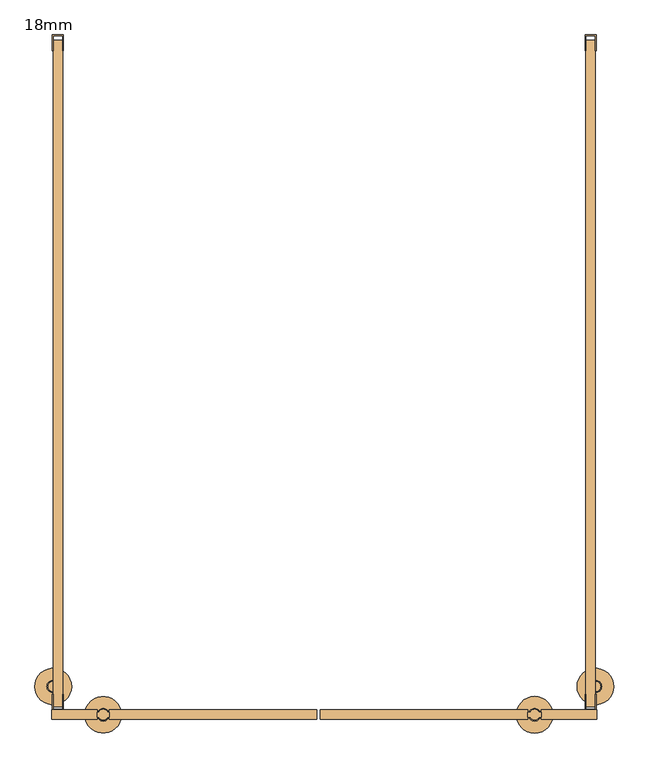
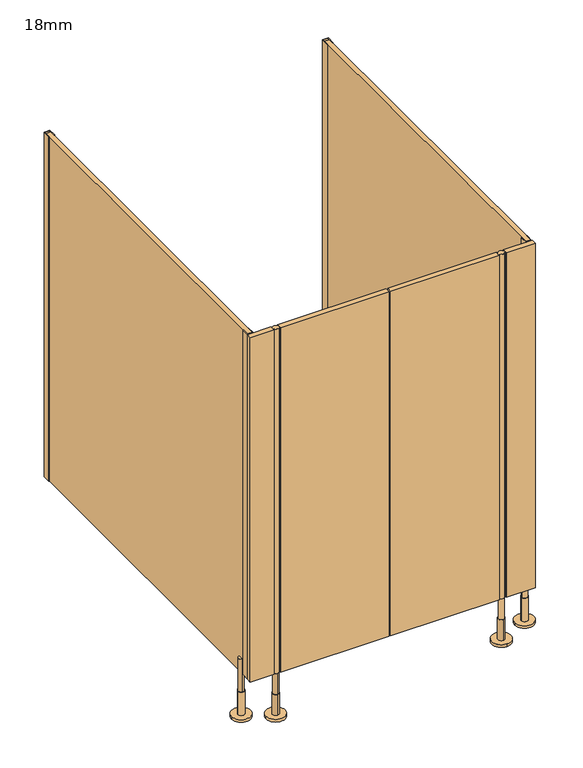
"""IFC4 building model written with IfcOpenShell, lengths in millimetres: door geometry, 18mm."""

from ifc_helpers import new_model, si_unit, point, frame, frame_2d, origin, place, context, project, spatial, polyline, circle_curve, trimmed, segment, composite_curve, outline, extrude, source, transform, mapped, element, save
from ifc_brep_helpers import plane_surface, cylinder_surface, advanced_brep


def door_18mm_1dfe7e59(model_context):
    return source(origin(), model_context, "Body", "SolidModel", [
        extrude(outline(composite_curve([segment(trimmed(circle_curve(frame_2d((-422.5, -1299.0)), 10.0), [point((-426.8588989, -1290.0))], [point((-418.1411011, -1290.0))], False, "CARTESIAN"), True, "CONTINUOUS"), segment(trimmed(circle_curve(frame_2d((-422.5, -1299.0)), 10.0), [point((-418.1411011, -1290.0))], [point((-413.8391323, -1294.0010631))], False, "CARTESIAN"), True, "CONTINUOUS"), segment(polyline([(-413.8391323, -1294.0010631), (-411.0, -1294.0010631), (-411.0, -1303.9989369), (-413.8391323, -1303.9989369)]), True, "CONTINUOUS"), segment(trimmed(circle_curve(frame_2d((-422.5, -1299.0)), 10.0), [point((-413.8391323, -1303.9989369))], [point((-431.1608677, -1303.9989369))], False, "CARTESIAN"), True, "CONTINUOUS"), segment(polyline([(-431.1608677, -1303.9989369), (-434.0, -1303.9989369), (-434.0, -1294.0010631), (-431.1608677, -1294.0010631)]), True, "CONTINUOUS"), segment(trimmed(circle_curve(frame_2d((-422.5, -1299.0)), 10.0), [point((-431.1608677, -1294.0010631))], [point((-426.8588989, -1290.0))], False, "CARTESIAN"), True, "CONTINUOUS")], self_intersect=False)), frame((0.0, 0.0, 170.0), z_axis=(0.0, 0.0, 1.0), x_axis=(1.0, 0.0, 0.0)), (0.0, 0.0, 1.0), 1330.0),
        extrude(outline(composite_curve([segment(trimmed(circle_curve(frame_2d((402.0, -1299.0)), 10.0), [point((410.6608677, -1303.9989369))], [point((393.3391323, -1303.9989369))], False, "CARTESIAN"), True, "CONTINUOUS"), segment(polyline([(393.3391323, -1303.9989369), (389.0, -1303.9989369), (389.0, -1294.0010631), (393.3391323, -1294.0010631)]), True, "CONTINUOUS"), segment(trimmed(circle_curve(frame_2d((402.0, -1299.0)), 10.0), [point((393.3391323, -1294.0010631))], [point((410.6608677, -1294.0010631))], False, "CARTESIAN"), True, "CONTINUOUS"), segment(polyline([(410.6608677, -1294.0010631), (415.0, -1294.0010631), (415.0, -1303.9989369), (410.6608677, -1303.9989369)]), True, "CONTINUOUS")], self_intersect=False)), frame((0.0, 0.0, 170.0), z_axis=(0.0, 0.0, 1.0), x_axis=(1.0, 0.0, 0.0)), (0.0, 0.0, 1.0), 1330.0),
        extrude(outline(polyline([(-7.9997797, -1290.0), (389.0, -1290.0), (389.0, -1308.0), (-7.9997797, -1308.0), (-7.9997797, -1290.0)])), frame((0.0, 0.0, 170.0), z_axis=(0.0, 0.0, 1.0), x_axis=(1.0, 0.0, 0.0)), (0.0, 0.0, 1.0), 1330.0),
        extrude(outline(polyline([(-14.0002203, -1308.0), (-411.0, -1308.0), (-411.0, -1290.0), (-14.0002203, -1290.0), (-14.0002203, -1308.0)])), frame((0.0, 0.0, 170.0), z_axis=(0.0, 0.0, 1.0), x_axis=(1.0, 0.0, 0.0)), (0.0, 0.0, 1.0), 1330.0),
        advanced_brep(
        [(412.0, -1299.0, 170.0), (392.0, -1299.0, 170.0), (392.0, -1299.0, 90.0), (412.0, -1299.0, 90.0), (402.0, -1287.0, 90.0), (402.0, -1311.0, 90.0), (402.0, -1287.0, 10.0), (402.0, -1311.0, 10.0), (402.0, -1264.0, 10.0), (402.0, -1334.0, 10.0), (402.0, -1264.0, 0.0), (402.0, -1334.0, 0.0)],
        [
            (0, 1, circle_curve(frame((402.0, -1299.0, 170.0), z_axis=(0.0, 0.0, 1.0), x_axis=(-1.0, 0.0, 0.0)), 10.0)),
            (1, 0, circle_curve(frame((402.0, -1299.0, 170.0), z_axis=(0.0, 0.0, 1.0), x_axis=(-1.0, 0.0, 0.0)), 10.0)),
            (1, 2),
            (2, 3, circle_curve(frame((402.0, -1299.0, 90.0), z_axis=(0.0, 0.0, 1.0), x_axis=(-1.0, 0.0, 0.0)), 10.0)),
            (3, 0),
            (3, 2, circle_curve(frame((402.0, -1299.0, 90.0), z_axis=(0.0, 0.0, 1.0), x_axis=(-1.0, 0.0, 0.0)), 10.0)),
            (4, 5, circle_curve(frame((402.0, -1299.0, 90.0), z_axis=(0.0, 0.0, 1.0), x_axis=(0.0, -1.0, 0.0)), 12.0)),
            (5, 4, circle_curve(frame((402.0, -1299.0, 90.0), z_axis=(0.0, 0.0, 1.0), x_axis=(0.0, -1.0, 0.0)), 12.0)),
            (4, 6),
            (6, 7, circle_curve(frame((402.0, -1299.0, 10.0), z_axis=(0.0, 0.0, 1.0), x_axis=(0.0, -1.0, 0.0)), 12.0)),
            (7, 5),
            (7, 6, circle_curve(frame((402.0, -1299.0, 10.0), z_axis=(0.0, 0.0, 1.0), x_axis=(0.0, -1.0, 0.0)), 12.0)),
            (8, 9, circle_curve(frame((402.0, -1299.0, 10.0), z_axis=(0.0, 0.0, 1.0), x_axis=(0.0, -1.0, 0.0)), 35.0)),
            (9, 8, circle_curve(frame((402.0, -1299.0, 10.0), z_axis=(0.0, 0.0, 1.0), x_axis=(0.0, -1.0, 0.0)), 35.0)),
            (10, 11, circle_curve(frame((402.0, -1299.0, 0.0), z_axis=(0.0, 0.0, -1.0), x_axis=(0.0, -1.0, 0.0)), 35.0)),
            (11, 10, circle_curve(frame((402.0, -1299.0, 0.0), z_axis=(0.0, 0.0, -1.0), x_axis=(0.0, -1.0, 0.0)), 35.0)),
            (8, 10),
            (11, 9),
        ],
        [
            plane_surface(frame((402.0, -1290.0, 170.0), z_axis=(0.0, 0.0, 1.0), x_axis=(0.0, -1.0, 0.0))),
            cylinder_surface(frame((402.0, -1299.0, 90.0), z_axis=(0.0, 0.0, -1.0), x_axis=(-1.0, 0.0, 0.0)), 10.0),
            plane_surface(frame((402.0, -1290.0, 90.0), z_axis=(0.0, 0.0, 1.0), x_axis=(0.0, -1.0, 0.0))),
            cylinder_surface(frame((402.0, -1299.0, 90.0), z_axis=(0.0, 0.0, 1.0), x_axis=(0.0, -1.0, 0.0)), 12.0),
            plane_surface(frame((402.0, -1290.0, 10.0), z_axis=(0.0, 0.0, 1.0), x_axis=(0.0, -1.0, 0.0))),
            plane_surface(frame((402.0, -1290.0, 0.0), z_axis=(0.0, 0.0, -1.0), x_axis=(0.0, -1.0, 0.0))),
            cylinder_surface(frame((402.0, -1299.0, 10.0), z_axis=(0.0, 0.0, 1.0), x_axis=(0.0, -1.0, 0.0)), 35.0),
        ],
        [
            (0, [[1, 2]]),
            (1, [[-2, 3, 4, 5]]),
            (1, [[-1, -5, 6, -3]]),
            (2, [[7, 8], [-4, -6]]),
            (3, [[-7, 9, 10, 11]]),
            (3, [[-8, -11, 12, -9]]),
            (4, [[13, 14], [-10, -12]]),
            (5, [[15, 16]]),
            (6, [[-13, 17, -16, 18]]),
            (6, [[-14, -18, -15, -17]]),
        ],
    ),
        advanced_brep(
        [(-422.5, -1309.0, 170.0), (-422.5, -1289.0, 170.0), (-422.5, -1289.0, 90.0), (-422.5, -1309.0, 90.0), (-422.5, -1287.0, 90.0), (-422.5, -1311.0, 90.0), (-422.5, -1287.0, 10.0), (-422.5, -1311.0, 10.0), (-387.5, -1299.0, 0.0), (-457.5, -1299.0, 0.0), (-387.5, -1299.0, 10.0), (-457.5, -1299.0, 10.0)],
        [
            (0, 1, circle_curve(frame((-422.5, -1299.0, 170.0), z_axis=(0.0, 0.0, -1.0), x_axis=(0.0, -1.0, 0.0)), 10.0)),
            (1, 2),
            (2, 3, circle_curve(frame((-422.5, -1299.0, 90.0), z_axis=(0.0, 0.0, 1.0), x_axis=(0.0, -1.0, 0.0)), 10.0)),
            (3, 0),
            (1, 0, circle_curve(frame((-422.5, -1299.0, 170.0), z_axis=(0.0, 0.0, -1.0), x_axis=(0.0, -1.0, 0.0)), 10.0)),
            (3, 2, circle_curve(frame((-422.5, -1299.0, 90.0), z_axis=(0.0, 0.0, 1.0), x_axis=(0.0, -1.0, 0.0)), 10.0)),
            (4, 5, circle_curve(frame((-422.5, -1299.0, 90.0), z_axis=(0.0, 0.0, 1.0), x_axis=(0.0, -1.0, 0.0)), 12.0)),
            (5, 4, circle_curve(frame((-422.5, -1299.0, 90.0), z_axis=(0.0, 0.0, 1.0), x_axis=(0.0, -1.0, 0.0)), 12.0)),
            (4, 6),
            (6, 7, circle_curve(frame((-422.5, -1299.0, 10.0), z_axis=(0.0, 0.0, 1.0), x_axis=(0.0, -1.0, 0.0)), 12.0)),
            (7, 5),
            (7, 6, circle_curve(frame((-422.5, -1299.0, 10.0), z_axis=(0.0, 0.0, 1.0), x_axis=(0.0, -1.0, 0.0)), 12.0)),
            (8, 9, circle_curve(frame((-422.5, -1299.0, 0.0), z_axis=(0.0, 0.0, -1.0), x_axis=(-1.0, 0.0, 0.0)), 35.0)),
            (9, 8, circle_curve(frame((-422.5, -1299.0, 0.0), z_axis=(0.0, 0.0, -1.0), x_axis=(-1.0, 0.0, 0.0)), 35.0)),
            (10, 11, circle_curve(frame((-422.5, -1299.0, 10.0), z_axis=(0.0, 0.0, 1.0), x_axis=(-1.0, 0.0, 0.0)), 35.0)),
            (11, 10, circle_curve(frame((-422.5, -1299.0, 10.0), z_axis=(0.0, 0.0, 1.0), x_axis=(-1.0, 0.0, 0.0)), 35.0)),
            (8, 10),
            (11, 9),
        ],
        [
            cylinder_surface(frame((-422.5, -1299.0, 170.0), z_axis=(0.0, 0.0, 1.0), x_axis=(0.0, -1.0, 0.0)), 10.0),
            plane_surface(frame((-422.5, -1290.0, 90.0), z_axis=(0.0, 0.0, 1.0), x_axis=(0.0, -1.0, 0.0))),
            cylinder_surface(frame((-422.5, -1299.0, 90.0), z_axis=(0.0, 0.0, 1.0), x_axis=(0.0, -1.0, 0.0)), 12.0),
            plane_surface(frame((-422.5, -1290.0, 0.0), z_axis=(0.0, 0.0, -1.0), x_axis=(0.0, -1.0, 0.0))),
            plane_surface(frame((-422.5, -1290.0, 10.0), z_axis=(0.0, 0.0, 1.0), x_axis=(0.0, -1.0, 0.0))),
            cylinder_surface(frame((-422.5, -1299.0, 0.0), z_axis=(0.0, 0.0, -1.0), x_axis=(-1.0, 0.0, 0.0)), 35.0),
            plane_surface(frame((-422.5, -1290.0, 170.0), z_axis=(0.0, 0.0, 1.0), x_axis=(0.0, -1.0, 0.0))),
        ],
        [
            (0, [[1, 2, 3, 4]]),
            (0, [[5, -4, 6, -2]]),
            (1, [[7, 8], [-3, -6]]),
            (2, [[-7, 9, 10, 11]]),
            (2, [[-8, -11, 12, -9]]),
            (3, [[13, 14]]),
            (4, [[15, 16], [-10, -12]]),
            (5, [[-13, 17, -16, 18]]),
            (5, [[-14, -18, -15, -17]]),
            (6, [[-1, -5]]),
        ],
    ),
        extrude(outline(polyline([(498.5, 0.0), (519.5, 0.0), (519.5, -30.0), (518.0, -30.0), (518.0, -1.5), (500.0, -1.5), (500.0, -30.0), (498.5, -30.0), (498.5, 0.0)])), frame((0.0, 0.0, 170.0), z_axis=(0.0, 0.0, 1.0), x_axis=(1.0, 0.0, 0.0)), (0.0, 0.0, 1.0), 1330.0),
        extrude(outline(polyline([(-519.5, 0.0), (-498.5, 0.0), (-498.5, -30.0), (-500.0, -30.0), (-500.0, -1.5), (-518.0, -1.5), (-518.0, -30.0), (-519.5, -30.0), (-519.5, 0.0)])), frame((0.0, 0.0, 170.0), z_axis=(0.0, 0.0, 1.0), x_axis=(1.0, 0.0, 0.0)), (0.0, 0.0, 1.0), 1330.0),
        extrude(outline(polyline([(415.0, -1290.0), (521.0, -1290.0), (521.0, -1308.0), (415.0, -1308.0), (415.0, -1290.0)])), frame((0.0, 0.0, 170.0), z_axis=(0.0, 0.0, 1.0), x_axis=(1.0, 0.0, 0.0)), (0.0, 0.0, 1.0), 1330.0),
        extrude(outline(polyline([(-434.0, -1290.0), (-434.0, -1308.0), (-521.0, -1308.0), (-521.0, -1290.0), (-434.0, -1290.0)])), frame((0.0, 0.0, 170.0), z_axis=(0.0, 0.0, 1.0), x_axis=(1.0, 0.0, 0.0)), (0.0, 0.0, 1.0), 1330.0),
        extrude(outline(polyline([(519.5, -1290.0), (498.5, -1290.0), (498.5, -1260.0), (500.0, -1260.0), (500.0, -1288.5), (518.0, -1288.5), (518.0, -1260.0), (519.5, -1260.0), (519.5, -1290.0)])), frame((0.0, 0.0, 170.0), z_axis=(0.0, 0.0, 1.0), x_axis=(1.0, 0.0, 0.0)), (0.0, 0.0, 1.0), 1330.0),
        extrude(outline(polyline([(-498.5, -1290.0), (-519.5, -1290.0), (-519.5, -1260.0), (-518.0, -1260.0), (-518.0, -1288.5), (-500.0, -1288.5), (-500.0, -1260.0), (-498.5, -1260.0), (-498.5, -1290.0)])), frame((0.0, 0.0, 170.0), z_axis=(0.0, 0.0, 1.0), x_axis=(1.0, 0.0, 0.0)), (0.0, 0.0, 1.0), 1330.0),
        advanced_brep(
        [(483.0, -1245.0, 0.0), (553.0, -1245.0, 0.0), (483.0, -1245.0, 10.0), (553.0, -1245.0, 10.0), (506.0, -1245.0, 10.0), (530.0, -1245.0, 10.0), (506.0, -1245.0, 100.0), (530.0, -1245.0, 100.0), (508.0, -1245.0, 100.0), (528.0, -1245.0, 100.0), (508.0, -1245.0, 225.5), (528.0, -1245.0, 225.5)],
        [
            (0, 1, circle_curve(frame((518.0, -1245.0, 0.0), z_axis=(0.0, 0.0, -1.0), x_axis=(1.0, 0.0, 0.0)), 35.0)),
            (1, 0, circle_curve(frame((518.0, -1245.0, 0.0), z_axis=(0.0, 0.0, -1.0), x_axis=(1.0, 0.0, 0.0)), 35.0)),
            (2, 3, circle_curve(frame((518.0, -1245.0, 10.0), z_axis=(0.0, 0.0, 1.0), x_axis=(1.0, 0.0, 0.0)), 35.0)),
            (3, 2, circle_curve(frame((518.0, -1245.0, 10.0), z_axis=(0.0, 0.0, 1.0), x_axis=(1.0, 0.0, 0.0)), 35.0)),
            (4, 5, circle_curve(frame((518.0, -1245.0, 10.0), z_axis=(0.0, 0.0, -1.0), x_axis=(1.0, 0.0, 0.0)), 12.0)),
            (5, 4, circle_curve(frame((518.0, -1245.0, 10.0), z_axis=(0.0, 0.0, -1.0), x_axis=(1.0, 0.0, 0.0)), 12.0)),
            (0, 2),
            (3, 1),
            (6, 7, circle_curve(frame((518.0, -1245.0, 100.0), z_axis=(0.0, 0.0, 1.0), x_axis=(1.0, 0.0, 0.0)), 12.0)),
            (7, 6, circle_curve(frame((518.0, -1245.0, 100.0), z_axis=(0.0, 0.0, 1.0), x_axis=(1.0, 0.0, 0.0)), 12.0)),
            (8, 9, circle_curve(frame((518.0, -1245.0, 100.0), z_axis=(0.0, 0.0, -1.0), x_axis=(1.0, 0.0, 0.0)), 10.0)),
            (9, 8, circle_curve(frame((518.0, -1245.0, 100.0), z_axis=(0.0, 0.0, -1.0), x_axis=(1.0, 0.0, 0.0)), 10.0)),
            (7, 5),
            (4, 6),
            (10, 11, circle_curve(frame((518.0, -1245.0, 225.5), z_axis=(0.0, 0.0, 1.0), x_axis=(1.0, 0.0, 0.0)), 10.0)),
            (11, 10, circle_curve(frame((518.0, -1245.0, 225.5), z_axis=(0.0, 0.0, 1.0), x_axis=(1.0, 0.0, 0.0)), 10.0)),
            (11, 9),
            (8, 10),
        ],
        [
            plane_surface(frame((509.0, -1299.0, 0.0), z_axis=(0.0, 0.0, -1.0), x_axis=(0.0, 1.0, 0.0))),
            plane_surface(frame((509.0, -1299.0, 10.0), z_axis=(0.0, 0.0, 1.0), x_axis=(0.0, 1.0, 0.0))),
            cylinder_surface(frame((518.0, -1245.0, 0.0), z_axis=(0.0, 0.0, -1.0), x_axis=(1.0, 0.0, 0.0)), 35.0),
            plane_surface(frame((509.0, -1299.0, 100.0), z_axis=(0.0, 0.0, 1.0), x_axis=(0.0, 1.0, 0.0))),
            cylinder_surface(frame((518.0, -1245.0, 10.0), z_axis=(0.0, 0.0, -1.0), x_axis=(1.0, 0.0, 0.0)), 12.0),
            plane_surface(frame((509.0, -1299.0, 225.5), z_axis=(0.0, 0.0, 1.0), x_axis=(0.0, 1.0, 0.0))),
            cylinder_surface(frame((518.0, -1245.0, 100.0), z_axis=(0.0, 0.0, -1.0), x_axis=(1.0, 0.0, 0.0)), 10.0),
        ],
        [
            (0, [[1, 2]]),
            (1, [[3, 4], [5, 6]]),
            (2, [[-1, 7, -4, 8]]),
            (2, [[-2, -8, -3, -7]]),
            (3, [[9, 10], [11, 12]]),
            (4, [[-10, 13, -5, 14]]),
            (4, [[-9, -14, -6, -13]]),
            (5, [[15, 16]]),
            (6, [[-16, 17, -11, 18]]),
            (6, [[-15, -18, -12, -17]]),
        ],
    ),
        advanced_brep(
        [(-553.0, -1245.0, 0.0), (-483.0, -1245.0, 0.0), (-553.0, -1245.0, 10.0), (-483.0, -1245.0, 10.0), (-530.0, -1245.0, 10.0), (-506.0, -1245.0, 10.0), (-530.0, -1245.0, 100.0), (-506.0, -1245.0, 100.0), (-518.0, -1235.0, 100.0), (-518.0, -1255.0, 100.0), (-518.0, -1255.0, 225.5), (-518.0, -1235.0, 225.5)],
        [
            (0, 1, circle_curve(frame((-518.0, -1245.0, 0.0), z_axis=(0.0, 0.0, -1.0), x_axis=(1.0, 0.0, 0.0)), 35.0)),
            (1, 0, circle_curve(frame((-518.0, -1245.0, 0.0), z_axis=(0.0, 0.0, -1.0), x_axis=(1.0, 0.0, 0.0)), 35.0)),
            (2, 3, circle_curve(frame((-518.0, -1245.0, 10.0), z_axis=(0.0, 0.0, 1.0), x_axis=(1.0, 0.0, 0.0)), 35.0)),
            (3, 2, circle_curve(frame((-518.0, -1245.0, 10.0), z_axis=(0.0, 0.0, 1.0), x_axis=(1.0, 0.0, 0.0)), 35.0)),
            (4, 5, circle_curve(frame((-518.0, -1245.0, 10.0), z_axis=(0.0, 0.0, -1.0), x_axis=(1.0, 0.0, 0.0)), 12.0)),
            (5, 4, circle_curve(frame((-518.0, -1245.0, 10.0), z_axis=(0.0, 0.0, -1.0), x_axis=(1.0, 0.0, 0.0)), 12.0)),
            (0, 2),
            (3, 1),
            (6, 7, circle_curve(frame((-518.0, -1245.0, 100.0), z_axis=(0.0, 0.0, 1.0), x_axis=(1.0, 0.0, 0.0)), 12.0)),
            (7, 6, circle_curve(frame((-518.0, -1245.0, 100.0), z_axis=(0.0, 0.0, 1.0), x_axis=(1.0, 0.0, 0.0)), 12.0)),
            (8, 9, circle_curve(frame((-518.0, -1245.0, 100.0), z_axis=(0.0, 0.0, -1.0), x_axis=(0.0, 1.0, 0.0)), 10.0)),
            (9, 8, circle_curve(frame((-518.0, -1245.0, 100.0), z_axis=(0.0, 0.0, -1.0), x_axis=(0.0, 1.0, 0.0)), 10.0)),
            (7, 5),
            (4, 6),
            (10, 11, circle_curve(frame((-518.0, -1245.0, 225.5), z_axis=(0.0, 0.0, 1.0), x_axis=(0.0, 1.0, 0.0)), 10.0)),
            (11, 10, circle_curve(frame((-518.0, -1245.0, 225.5), z_axis=(0.0, 0.0, 1.0), x_axis=(0.0, 1.0, 0.0)), 10.0)),
            (10, 9),
            (8, 11),
        ],
        [
            plane_surface(frame((-509.0, -1299.0, 0.0), z_axis=(0.0, 0.0, -1.0), x_axis=(0.0, 1.0, 0.0))),
            plane_surface(frame((-509.0, -1299.0, 10.0), z_axis=(0.0, 0.0, 1.0), x_axis=(0.0, 1.0, 0.0))),
            cylinder_surface(frame((-518.0, -1245.0, 0.0), z_axis=(0.0, 0.0, -1.0), x_axis=(1.0, 0.0, 0.0)), 35.0),
            plane_surface(frame((-509.0, -1405.0, 100.0), z_axis=(0.0, 0.0, 1.0), x_axis=(0.0, 1.0, 0.0))),
            cylinder_surface(frame((-518.0, -1245.0, 10.0), z_axis=(0.0, 0.0, -1.0), x_axis=(1.0, 0.0, 0.0)), 12.0),
            plane_surface(frame((-509.0, -1299.0, 225.5), z_axis=(0.0, 0.0, 1.0), x_axis=(0.0, 1.0, 0.0))),
            cylinder_surface(frame((-518.0, -1245.0, 225.5), z_axis=(0.0, 0.0, 1.0), x_axis=(0.0, 1.0, 0.0)), 10.0),
        ],
        [
            (0, [[1, 2]]),
            (1, [[3, 4], [5, 6]]),
            (2, [[-1, 7, -4, 8]]),
            (2, [[-2, -8, -3, -7]]),
            (3, [[9, 10], [11, 12]]),
            (4, [[-10, 13, -5, 14]]),
            (4, [[-9, -14, -6, -13]]),
            (5, [[15, 16]]),
            (6, [[-15, 17, -11, 18]]),
            (6, [[-16, -18, -12, -17]]),
        ],
    ),
        extrude(outline(polyline([(518.0, -10.0), (518.0, -1284.0), (500.0, -1284.0), (500.0, -10.0), (518.0, -10.0)])), frame((0.0, 0.0, 170.0), z_axis=(0.0, 0.0, 1.0), x_axis=(1.0, 0.0, 0.0)), (0.0, 0.0, 1.0), 1330.0),
        extrude(outline(polyline([(-518.0, -10.0), (-500.0, -10.0), (-500.0, -1284.0), (-518.0, -1284.0), (-518.0, -10.0)])), frame((0.0, 0.0, 170.0), z_axis=(0.0, 0.0, 1.0), x_axis=(1.0, 0.0, 0.0)), (0.0, 0.0, 1.0), 1330.0),
    ])


if __name__ == "__main__":
    model = new_model("IFC4")
    model_context = context("Model", 3, world=origin())
    ifc_project = project(units=[si_unit("LENGTHUNIT", "METRE", prefix="MILLI")], contexts=[model_context])
    site = spatial("IfcSite", under=ifc_project)
    building = spatial("IfcBuilding", under=site)
    placement = place(None, origin())
    door_18mm_shape = door_18mm_1dfe7e59(model_context)
    element("IfcDoor", 1, ObjectType="18mm", at=placement, inside=building, context=model_context, shape_type="MappedRepresentation", body=[
        mapped(door_18mm_shape, transform((0.0, 0.0, 0.0), x_axis=(1.0, 0.0, 0.0), y_axis=(0.0, 1.0, 0.0), z_axis=(0.0, 0.0, 1.0))),
    ])
    save(model, "model.ifc")
